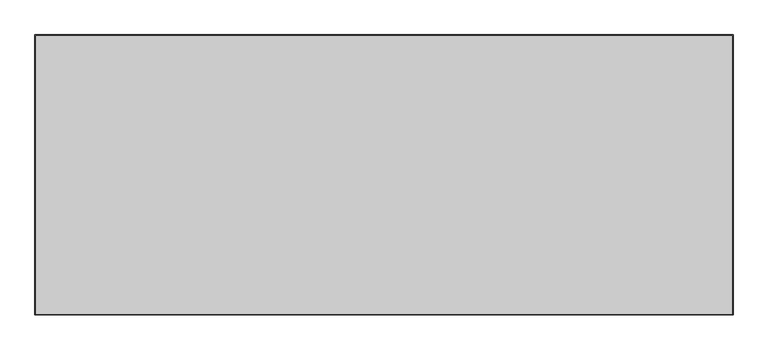
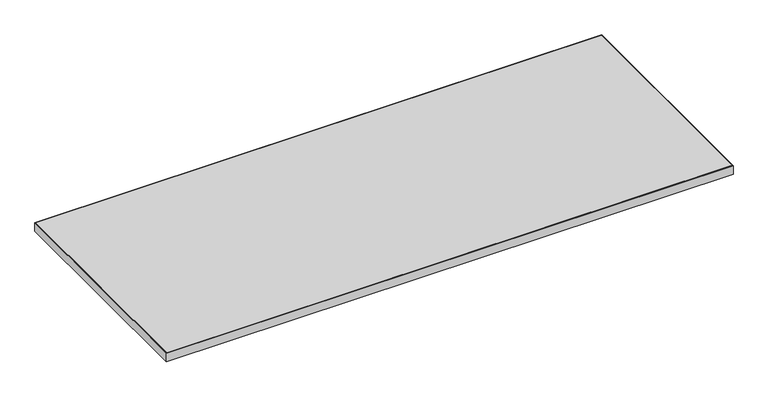
"""IFC4 building model written with IfcOpenShell, lengths in millimetres: furniture geometry."""

from ifc_helpers import new_model, si_unit, frame, origin, place, context, project, spatial, polyline, outline, extrude, source, transform, mapped, element, save


def furniture_16b01182(model_context):
    return source(origin(), model_context, "Body", "SweptSolid", [
        extrude(outline(polyline([(1063.6758, 831.9008), (1063.6758, 101.5492), (-758.8758, 101.5492), (-758.8758, 831.9008), (1063.6758, 831.9008)])), frame((0.0, 0.0, 707.009), z_axis=(0.0, 0.0, 1.0), x_axis=(1.0, 0.0, 0.0)), (0.0, 0.0, 1.0), 29.591),
        extrude(outline(polyline([(1065.2633, 99.9617), (-760.4633, 99.9617), (-760.4633, 833.4883), (1065.2633, 833.4883), (1065.2633, 99.9617)]), holes=[polyline([(1063.6758, 831.9008), (-758.8758, 831.9008), (-758.8758, 101.5492), (1063.6758, 101.5492), (1063.6758, 831.9008)])]), frame((0.0, 0.0, 707.009), z_axis=(0.0, 0.0, 1.0), x_axis=(1.0, 0.0, 0.0)), (0.0, 0.0, 1.0), 29.591),
    ])


if __name__ == "__main__":
    model = new_model("IFC4")
    model_context = context("Model", 3, world=origin())
    ifc_project = project(units=[si_unit("LENGTHUNIT", "METRE", prefix="MILLI")], contexts=[model_context])
    site = spatial("IfcSite", under=ifc_project)
    building = spatial("IfcBuilding", under=site)
    placement = place(None, origin())
    furniture_shape = furniture_16b01182(model_context)
    element("IfcFurniture", 1, at=placement, inside=building, context=model_context, shape_type="MappedRepresentation", body=[
        mapped(furniture_shape, transform((0.0, 0.0, 0.0), x_axis=(1.0, 0.0, 0.0), y_axis=(0.0, 1.0, 0.0), z_axis=(0.0, 0.0, 1.0))),
    ])
    save(model, "model.ifc")
